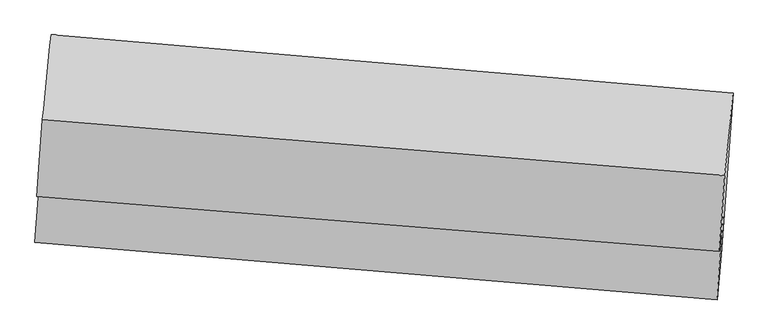
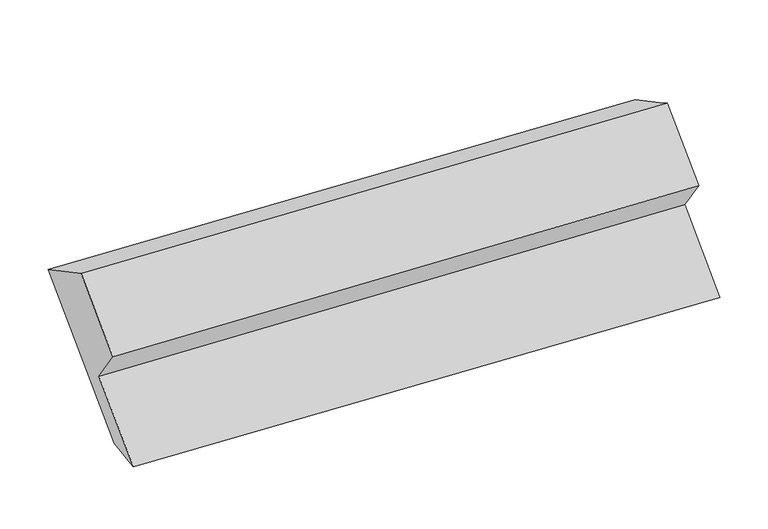
"""IFC4 building model written with IfcOpenShell, lengths in millimetres: proxy geometry."""

from ifc_helpers import new_model, si_unit, frame, origin, place, context, project, spatial, source, transform, mapped, element, save
from ifc_brep_helpers import plane_surface, spline_surface, advanced_brep


def generic_models_c22ca3f7(model_context):
    return source(origin(), model_context, "Body", "AdvancedBrep", [
        advanced_brep(
        [(-5115.5613843, -1563.0126006, 1361.187676), (-5037.4516462, -508.0098109, 2169.4624964), (-552.4235062, -892.4117866, 2270.7243272), (-631.1199488, -1955.3390022, 1456.3783249), (-5143.4094565, -1875.1066441, 1360.6357304), (-657.6847767, -2253.4742798, 1453.9539114), (-5102.8340146, -1327.0673669, 1780.5079362), (-615.9359258, -1689.5861506, 1885.9684812), (-5130.9952362, -1571.0367413, 2101.6710229), (-644.0971475, -1933.555525, 2207.131568), (-5093.5147518, -1064.8000463, 2489.516797), (-607.2033675, -1435.243256, 2588.90616)],
        [
            (0, 1),
            (1, 2),
            (2, 3),
            (3, 0),
            (4, 0),
            (3, 5),
            (5, 4),
            (6, 4),
            (5, 7),
            (7, 6),
            (8, 6),
            (7, 9),
            (9, 8),
            (10, 8),
            (9, 11),
            (11, 10),
            (1, 10),
            (11, 2),
        ],
        [
            plane_surface(frame((-5076.5065153, -1035.5112057, 1765.3250862), z_axis=(0.06965398350861682, 0.6034340048874762, -0.7943649818105295), x_axis=(0.05867044544719201, 0.7924425958106057, 0.6071182019804522))),
            spline_surface(1, 1, [[(-5143.4094565, -1875.1066441, 1360.6357304), (-657.6847767, -2253.4742798, 1453.9539114)], [(-5115.5613843, -1563.0126006, 1361.187676), (-631.1199488, -1955.3390022, 1456.3783249)]], [2, 2], [2, 2], [0.0, 1.0], [0.0, 1.0]),
            plane_surface(frame((-5123.1217355, -1601.0870055, 1570.5718333), z_axis=(-0.06744209052246866, -0.6036299456932933, 0.7944069820238686), x_axis=(-0.05867044544719151, -0.792442595810604, -0.6071182019804545))),
            plane_surface(frame((-5116.9146254, -1449.0520541, 1941.0894795), z_axis=(-0.0498215728591208, -0.7932010139930935, -0.6069184148451682), x_axis=(0.06965398350861851, 0.6034340048874723, -0.7943649818105322))),
            plane_surface(frame((-5112.254994, -1317.9183938, 2295.59391), z_axis=(-0.06744209052246705, -0.6036299456932753, 0.7944069820238825), x_axis=(-0.058670445447190425, -0.792442595810618, -0.6071182019804363))),
            spline_surface(1, 1, [[(-5037.4516462, -508.0098109, 2169.4624964), (-552.4235062, -892.4117866, 2270.7243272)], [(-5093.5147518, -1064.8000463, 2489.516797), (-607.2033675, -1435.243256, 2588.90616)]], [2, 2], [2, 2], [0.0, 1.0], [0.0, 1.0]),
            plane_surface(frame((-618.0774454, -1693.2683334, 1977.1771288), z_axis=(0.9958444162681284, -0.08889394855900279, 0.019793041635387913), x_axis=(0.06965398350861851, 0.6034340048874723, -0.7943649818105322))),
            plane_surface(frame((-5103.9610816, -1318.1722017, 1877.1636098), z_axis=(-0.9958444162681288, 0.08889394855899958, -0.019793041635385367), x_axis=(-0.058670445447191355, -0.7924425958106116, -0.6071182019804445))),
        ],
        [
            (0, [[1, 2, 3, 4]]),
            (1, [[5, -4, 6, 7]]),
            (2, [[8, -7, 9, 10]]),
            (3, [[11, -10, 12, 13]]),
            (4, [[14, -13, 15, 16]]),
            (5, [[17, -16, 18, -2]]),
            (6, [[-12, -9, -6, -3, -18, -15]]),
            (7, [[-1, -5, -8, -11, -14, -17]]),
        ],
    ),
    ])


if __name__ == "__main__":
    model = new_model("IFC4")
    model_context = context("Model", 3, world=origin())
    ifc_project = project(units=[si_unit("LENGTHUNIT", "METRE", prefix="MILLI")], contexts=[model_context])
    site = spatial("IfcSite", under=ifc_project)
    building = spatial("IfcBuilding", under=site)
    placement = place(None, origin())
    generic_models_shape = generic_models_c22ca3f7(model_context)
    element("IfcBuildingElementProxy", 1, Name="Generic Models", at=placement, inside=building, context=model_context, shape_type="MappedRepresentation", body=[
        mapped(generic_models_shape, transform((0.0, 0.0, 0.0), x_axis=(1.0, 0.0, 0.0), y_axis=(0.0, 1.0, 0.0), z_axis=(0.0, 0.0, 1.0))),
    ])
    save(model, "model.ifc")
